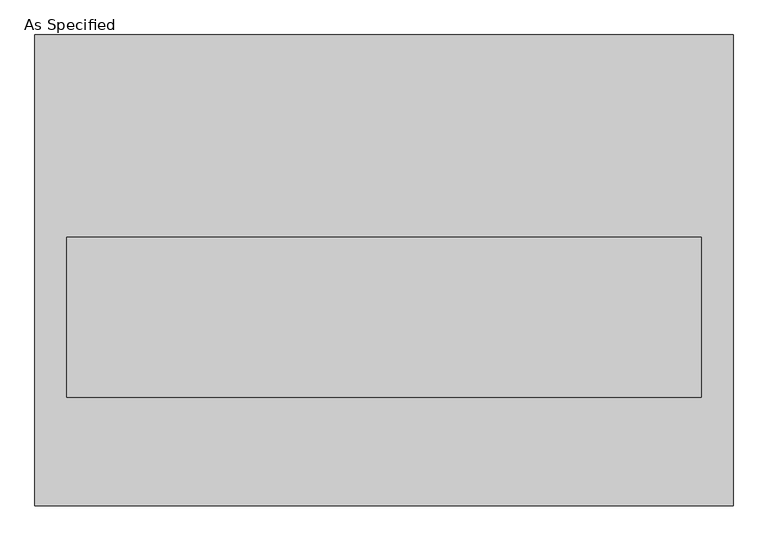
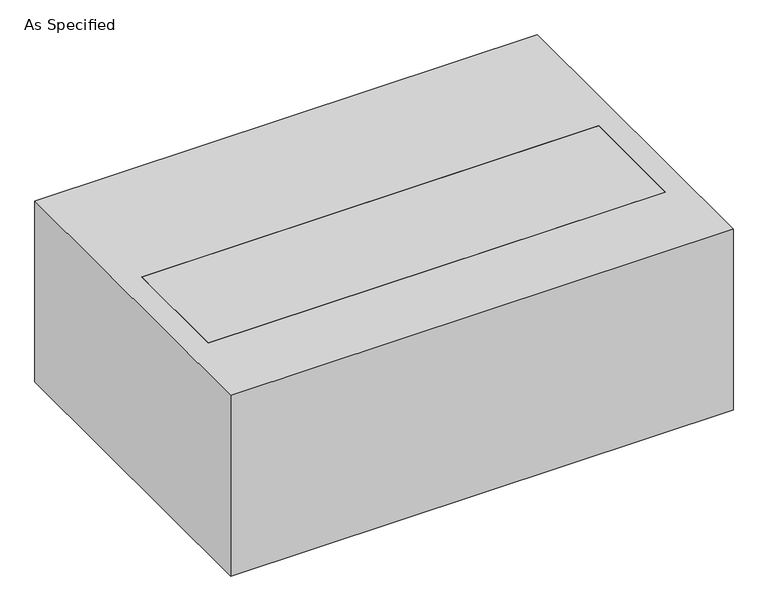
"""IFC4 building model written with IfcOpenShell, lengths in millimetres: proxy geometry, As Specified."""

from ifc_helpers import new_model, si_unit, frame, origin, place, context, project, spatial, polyline, outline, extrude, source, transform, mapped, element, save


def as_specified_08623b54(model_context):
    return source(origin(), model_context, "Body", "SweptSolid", [
        extrude(outline(polyline([(-663.575, -447.675), (-663.575, 447.675), (663.575, 447.675), (663.575, -447.675), (-663.575, -447.675)]), holes=[polyline([(603.25, 63.5), (-603.25, 63.5), (-603.25, -241.3), (603.25, -241.3), (603.25, 63.5)])]), frame((0.0, 0.0, -530.225), z_axis=(0.0, 0.0, 1.0), x_axis=(1.0, 0.0, 0.0)), (0.0, 0.0, 1.0), 504.825),
        extrude(outline(polyline([(603.25, 63.5), (603.25, -241.3), (-603.25, -241.3), (-603.25, 63.5), (603.25, 63.5)])), frame((0.0, 0.0, -530.225), z_axis=(0.0, 0.0, 1.0), x_axis=(1.0, 0.0, 0.0)), (0.0, 0.0, 1.0), 504.825),
    ])


if __name__ == "__main__":
    model = new_model("IFC4")
    model_context = context("Model", 3, world=origin())
    ifc_project = project(units=[si_unit("LENGTHUNIT", "METRE", prefix="MILLI")], contexts=[model_context])
    site = spatial("IfcSite", under=ifc_project)
    building = spatial("IfcBuilding", under=site)
    placement = place(None, origin())
    as_specified_shape = as_specified_08623b54(model_context)
    element("IfcBuildingElementProxy", 1, Name="As Specified", ObjectType="As Specified", at=placement, inside=building, context=model_context, shape_type="MappedRepresentation", body=[
        mapped(as_specified_shape, transform((0.0, 0.0, 0.0), x_axis=(1.0, 0.0, 0.0), y_axis=(0.0, 1.0, 0.0), z_axis=(0.0, 0.0, 1.0))),
    ])
    save(model, "model.ifc")
